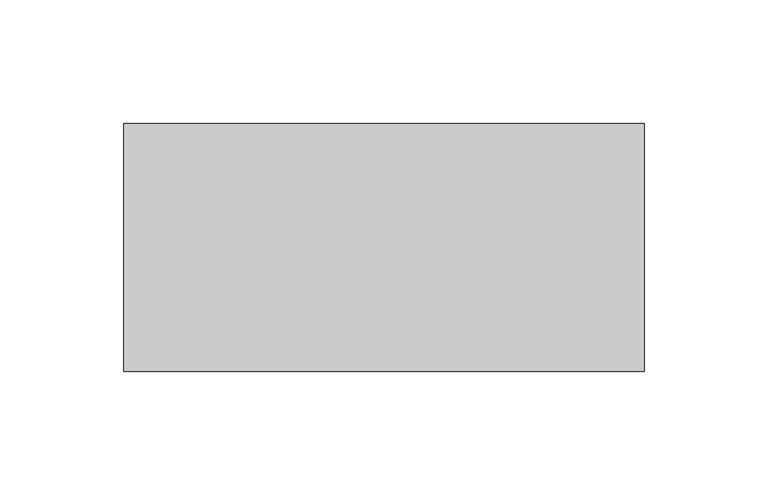
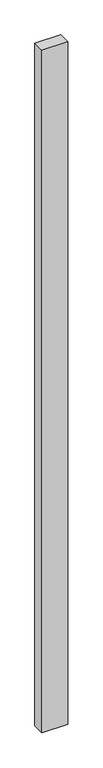
"""IFC4 building model written with IfcOpenShell, lengths in millimetres: proxy geometry."""

from ifc_helpers import new_model, si_unit, frame, origin, place, context, project, spatial, polyline, outline, extrude, source, transform, mapped, element, save


def generic_models_828c1135(model_context):
    return source(origin(), model_context, "Body", "SweptSolid", [
        extrude(outline(polyline([(210.0, 100.0), (210.0, 0.0), (0.0, 0.0), (0.0, 100.0), (210.0, 100.0)])), frame((0.0, 0.0, -5900.0), z_axis=(0.0, 0.0, 1.0), x_axis=(1.0, 0.0, 0.0)), (0.0, 0.0, 1.0), 5900.0),
    ])


if __name__ == "__main__":
    model = new_model("IFC4")
    model_context = context("Model", 3, world=origin())
    ifc_project = project(units=[si_unit("LENGTHUNIT", "METRE", prefix="MILLI")], contexts=[model_context])
    site = spatial("IfcSite", under=ifc_project)
    building = spatial("IfcBuilding", under=site)
    placement = place(None, origin())
    generic_models_shape = generic_models_828c1135(model_context)
    element("IfcBuildingElementProxy", 1, Name="Generic Models", at=placement, inside=building, context=model_context, shape_type="MappedRepresentation", body=[
        mapped(generic_models_shape, transform((0.0, 0.0, 0.0), x_axis=(1.0, 0.0, 0.0), y_axis=(0.0, 1.0, 0.0), z_axis=(0.0, 0.0, 1.0))),
    ])
    save(model, "model.ifc")
